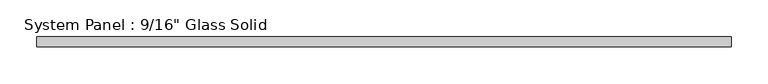
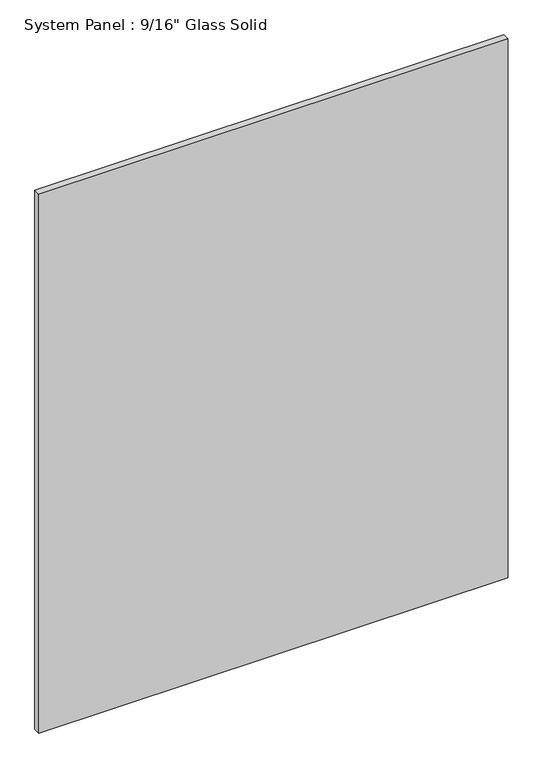
"""IFC4 building model written with IfcOpenShell, lengths in millimetres: plate geometry."""

from ifc_helpers import new_model, si_unit, origin, origin_with_axes, place, context, project, spatial, polyline, outline, extrude, source, transform, mapped, element, save


def plate_2f9a9b26(model_context):
    return source(origin(), model_context, "Body", "SweptSolid", [
        extrude(outline(polyline([(475.6720691, -7.14375), (-475.6720691, -7.14375), (-475.6720691, 7.14375), (475.6720691, 7.14375), (475.6720691, -7.14375)])), origin_with_axes(), (0.0, 0.0, 1.0), 1154.5441382),
    ])


if __name__ == "__main__":
    model = new_model("IFC4")
    model_context = context("Model", 3, world=origin())
    ifc_project = project(units=[si_unit("LENGTHUNIT", "METRE", prefix="MILLI")], contexts=[model_context])
    site = spatial("IfcSite", under=ifc_project)
    building = spatial("IfcBuilding", under=site)
    placement = place(None, origin())
    plate_shape = plate_2f9a9b26(model_context)
    element("IfcPlate", 1, ObjectType="System Panel : 9/16\" Glass Solid", at=placement, inside=building, context=model_context, shape_type="MappedRepresentation", body=[
        mapped(plate_shape, transform((0.0, 0.0, 0.0), x_axis=(1.0, 0.0, 0.0), y_axis=(0.0, 1.0, 0.0), z_axis=(0.0, 0.0, 1.0))),
    ])
    save(model, "model.ifc")
